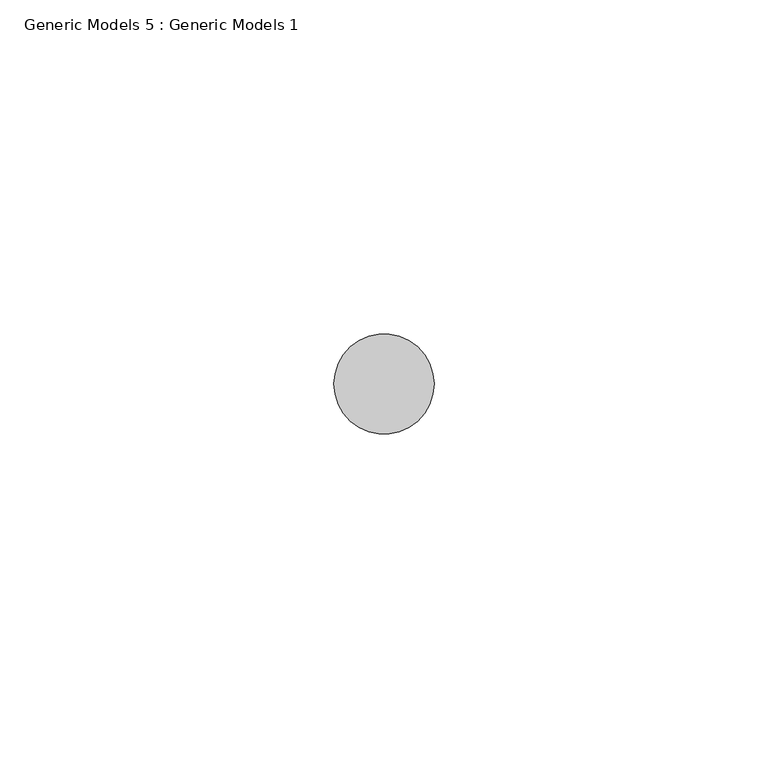
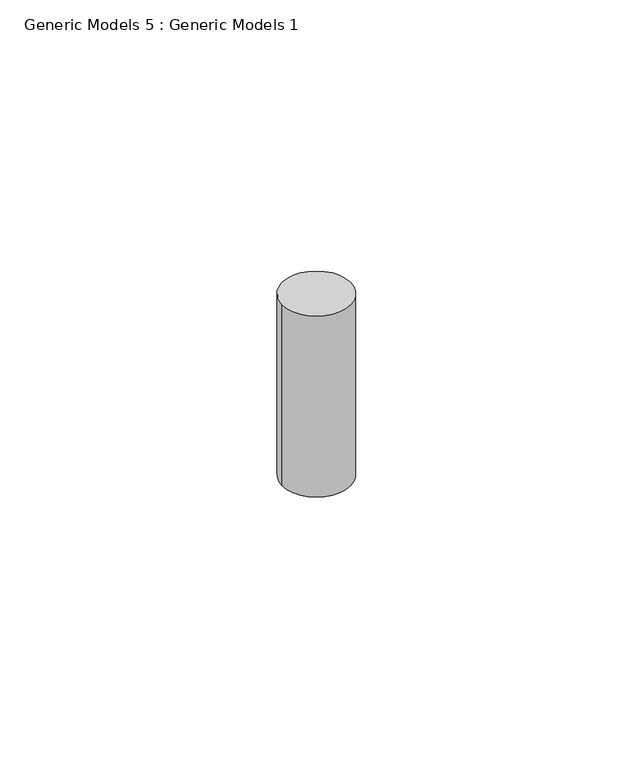
"""IFC4 building model written with IfcOpenShell, lengths in millimetres: proxy geometry, Generic Models 5 : Generic Models 1."""

from ifc_helpers import new_model, si_unit, point, frame, frame_2d, origin, place, context, project, spatial, circle_curve, trimmed, segment, composite_curve, outline, extrude, source, transform, mapped, element, save


def generic_models_5_generic_models_1_2adffaf0(model_context):
    return source(origin(), model_context, "Body", "SweptSolid", [
        extrude(outline(composite_curve([segment(trimmed(circle_curve(frame_2d((3666.052282, 400.3057469)), 7.5), [point((3673.552282, 400.3057469))], [point((3658.552282, 400.3057469))], False, "CARTESIAN"), True, "CONTINUOUS"), segment(trimmed(circle_curve(frame_2d((3666.052282, 400.3057469)), 7.5), [point((3658.552282, 400.3057469))], [point((3673.552282, 400.3057469))], False, "CARTESIAN"), True, "CONTINUOUS")], self_intersect=False)), frame((0.0, 0.0, -826.6691196), z_axis=(0.0, 0.0, 1.0), x_axis=(1.0, 0.0, 0.0)), (0.0, 0.0, 1.0), 42.0000012),
    ])


if __name__ == "__main__":
    model = new_model("IFC4")
    model_context = context("Model", 3, world=origin())
    ifc_project = project(units=[si_unit("LENGTHUNIT", "METRE", prefix="MILLI")], contexts=[model_context])
    site = spatial("IfcSite", under=ifc_project)
    building = spatial("IfcBuilding", under=site)
    placement = place(None, origin())
    generic_models_5_generic_models_1_shape = generic_models_5_generic_models_1_2adffaf0(model_context)
    element("IfcBuildingElementProxy", 1, Name="Generic Models 5 : Generic Models 1", ObjectType="Generic Models 5 : Generic Models 1", at=placement, inside=building, context=model_context, shape_type="MappedRepresentation", body=[
        mapped(generic_models_5_generic_models_1_shape, transform((0.0, 0.0, 0.0), x_axis=(1.0, 0.0, 0.0), y_axis=(0.0, 1.0, 0.0), z_axis=(0.0, 0.0, 1.0))),
    ])
    save(model, "model.ifc")
